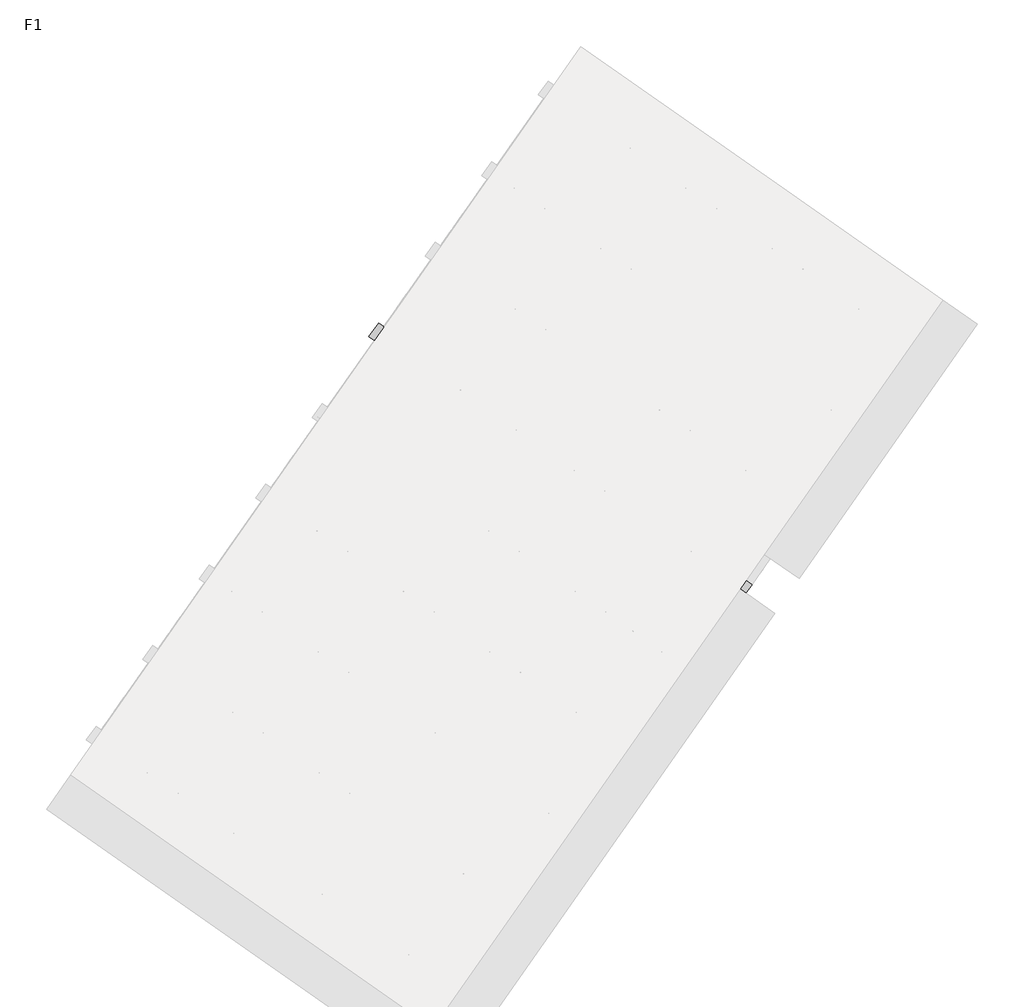
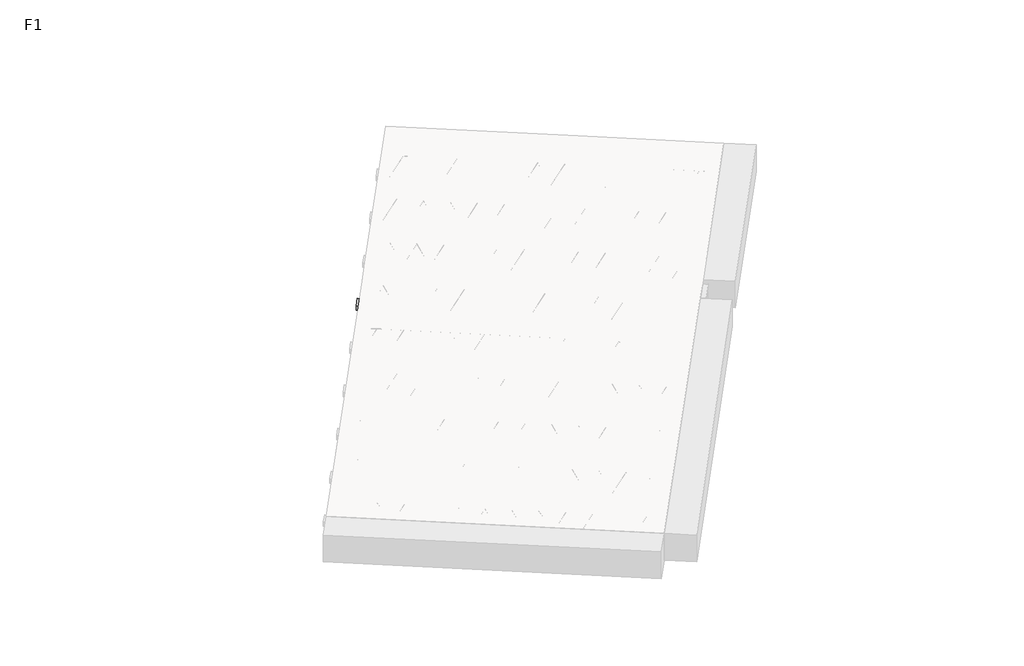
# One storey, part 10 of 30: 2 beams.
"""IFC4 building model written with IfcOpenShell, lengths in millimetres."""

from ifc_helpers import new_model, si_unit, point, frame, origin, origin_2d, place, context, project, spatial, polyline, circle_curve, trimmed, segment, composite_curve, outline, extrude, element, save

model = new_model("IFC4")

# Units and contexts
model_context = context("Model", 3, world=origin())
ifc_project = project(units=[si_unit("LENGTHUNIT", "METRE", prefix="MILLI")], contexts=[model_context])

# Site, building, storey
site = spatial("IfcSite", under=ifc_project)
building = spatial("IfcBuilding", under=site)
storey = spatial("IfcBuildingStorey", under=building, Name="F1", Elevation=99520.0)

# Beams
placement = place(None, origin())
element("IfcBeam", 1, at=placement, inside=storey, context=model_context, shape_type="SweptSolid", body=[
    extrude(outline(polyline([(6027.01866, -1546.3230443), (6095.8478323, -1448.024799), (8749.9004558, -3306.4124529), (8681.0712834, -3404.7106982), (6027.01866, -1546.3230443)])), frame((0.0, 0.0, 99720.0), z_axis=(0.0, 0.0, 1.0), x_axis=(1.0, 0.0, 0.0)), (0.0, 0.0, 1.0), 50.0),
    extrude(outline(composite_curve([segment(trimmed(circle_curve(origin_2d(), 2.5), [point((-2.5, 0.0))], [point((2.5, 0.0))], False, "CARTESIAN"), True, "CONTINUOUS"), segment(trimmed(circle_curve(origin_2d(), 2.5), [point((2.5, 0.0))], [point((-2.5, 0.0))], False, "CARTESIAN"), True, "CONTINUOUS")], self_intersect=False)), frame((8675.1774688, -3371.2852147, 99745.0), z_axis=(-0.8191520442696126, 0.5735764363787226, 0.0), x_axis=(0.5735764363787226, 0.8191520442696126, 0.0)), (0.0, 0.0, 1.0), 3192.0),
    extrude(outline(composite_curve([segment(trimmed(circle_curve(origin_2d(), 2.5), [point((-2.5, 0.0))], [point((2.5000001, 0.0))], False, "CARTESIAN"), True, "CONTINUOUS"), segment(trimmed(circle_curve(origin_2d(), 2.5), [point((2.5000001, 0.0))], [point((-2.5, 0.0))], False, "CARTESIAN"), True, "CONTINUOUS")], self_intersect=False)), frame((8555.751221, -3243.7141705, 99970.0), z_axis=(-0.8191520442696126, 0.5735764363787226, 0.0), x_axis=(0.5735764363787226, 0.8191520442696126, 0.0)), (0.0, 0.0, 1.0), 2850.0),
    extrude(outline(composite_curve([segment(trimmed(circle_curve(origin_2d(), 2.5), [point((-2.5, 0.0))], [point((2.5, 0.0))], False, "CARTESIAN"), True, "CONTINUOUS"), segment(trimmed(circle_curve(origin_2d(), 2.5), [point((2.5, 0.0))], [point((-2.5, 0.0))], False, "CARTESIAN"), True, "CONTINUOUS")], self_intersect=False)), frame((8596.5388726, -3316.2218768, 99745.0), z_axis=(-0.3145304735701046, 0.38933448886848654, 0.8657304643902053), x_axis=(0.7778747638402499, 0.6284193279813057, 0.0)), (0.0, 0.0, 1.0), 259.8961331),
    extrude(outline(composite_curve([segment(trimmed(circle_curve(origin_2d(), 2.5), [point((2.5, 0.0))], [point((-2.5, 0.0))], False, "CARTESIAN"), True, "CONTINUOUS"), segment(trimmed(circle_curve(origin_2d(), 2.5), [point((-2.5, 0.0))], [point((2.5, 0.0))], False, "CARTESIAN"), True, "CONTINUOUS")], self_intersect=False)), frame((8391.7508615, -3172.8277677, 99745.0), z_axis=(0.47343050384693375, -0.16240172737369005, 0.8657304643902051), x_axis=(-0.3244721671091268, -0.9458952440791246, 0.0)), (0.0, 0.0, 1.0), 259.8961331),
    extrude(outline(composite_curve([segment(trimmed(circle_curve(origin_2d(), 2.5), [point((-2.5, 0.0))], [point((2.5, 0.0))], False, "CARTESIAN"), True, "CONTINUOUS"), segment(trimmed(circle_curve(origin_2d(), 2.5), [point((2.5, 0.0))], [point((-2.5, 0.0))], False, "CARTESIAN"), True, "CONTINUOUS")], self_intersect=False)), frame((8391.7508615, -3172.8277677, 99745.0), z_axis=(-0.3145304735701046, 0.38933448886848654, 0.8657304643902053), x_axis=(0.7778747638402499, 0.6284193279813057, 0.0)), (0.0, 0.0, 1.0), 259.8961331),
    extrude(outline(composite_curve([segment(trimmed(circle_curve(origin_2d(), 2.5), [point((2.5, 0.0))], [point((-2.5, 1e-07))], False, "CARTESIAN"), True, "CONTINUOUS"), segment(trimmed(circle_curve(origin_2d(), 2.5), [point((-2.5, 1e-07))], [point((2.5, 0.0))], False, "CARTESIAN"), True, "CONTINUOUS")], self_intersect=False)), frame((8186.9628504, -3029.4336586, 99745.0), z_axis=(0.47343050384693375, -0.16240172737369005, 0.8657304643902051), x_axis=(-0.3244721671091268, -0.9458952440791246, 0.0)), (0.0, 0.0, 1.0), 259.8961331),
    extrude(outline(composite_curve([segment(trimmed(circle_curve(origin_2d(), 2.5), [point((-2.5, 0.0))], [point((2.5, 0.0))], False, "CARTESIAN"), True, "CONTINUOUS"), segment(trimmed(circle_curve(origin_2d(), 2.5), [point((2.5, 0.0))], [point((-2.5, 0.0))], False, "CARTESIAN"), True, "CONTINUOUS")], self_intersect=False)), frame((8186.9628504, -3029.4336586, 99745.0), z_axis=(-0.3145304735701046, 0.38933448886848654, 0.8657304643902053), x_axis=(0.7778747638402499, 0.6284193279813057, 0.0)), (0.0, 0.0, 1.0), 259.8961331),
    extrude(outline(composite_curve([segment(trimmed(circle_curve(origin_2d(), 2.5), [point((2.5, 0.0))], [point((-2.5, 0.0))], False, "CARTESIAN"), True, "CONTINUOUS"), segment(trimmed(circle_curve(origin_2d(), 2.5), [point((-2.5, 0.0))], [point((2.5, 0.0))], False, "CARTESIAN"), True, "CONTINUOUS")], self_intersect=False)), frame((7982.1748394, -2886.0395495, 99745.0), z_axis=(0.47343050384693375, -0.16240172737369005, 0.8657304643902051), x_axis=(-0.3244721671091268, -0.9458952440791246, 0.0)), (0.0, 0.0, 1.0), 259.8961331),
    extrude(outline(composite_curve([segment(trimmed(circle_curve(origin_2d(), 2.5), [point((-2.5, 0.0))], [point((2.5, 0.0))], False, "CARTESIAN"), True, "CONTINUOUS"), segment(trimmed(circle_curve(origin_2d(), 2.5), [point((2.5, 0.0))], [point((-2.5, 0.0))], False, "CARTESIAN"), True, "CONTINUOUS")], self_intersect=False)), frame((7982.1748394, -2886.0395495, 99745.0), z_axis=(-0.3145304735701046, 0.38933448886848654, 0.8657304643902053), x_axis=(0.7778747638402499, 0.6284193279813057, 0.0)), (0.0, 0.0, 1.0), 259.8961331),
    extrude(outline(composite_curve([segment(trimmed(circle_curve(origin_2d(), 2.5), [point((2.5, 0.0))], [point((-2.5, 0.0))], False, "CARTESIAN"), True, "CONTINUOUS"), segment(trimmed(circle_curve(origin_2d(), 2.5), [point((-2.5, 0.0))], [point((2.5, 0.0))], False, "CARTESIAN"), True, "CONTINUOUS")], self_intersect=False)), frame((7777.3868283, -2742.6454404, 99745.0), z_axis=(0.47343050384693375, -0.16240172737369005, 0.8657304643902051), x_axis=(-0.3244721671091268, -0.9458952440791246, 0.0)), (0.0, 0.0, 1.0), 259.8961331),
    extrude(outline(composite_curve([segment(trimmed(circle_curve(origin_2d(), 2.5), [point((-2.5, 0.0))], [point((2.5, 0.0))], False, "CARTESIAN"), True, "CONTINUOUS"), segment(trimmed(circle_curve(origin_2d(), 2.5), [point((2.5, 0.0))], [point((-2.5, 0.0))], False, "CARTESIAN"), True, "CONTINUOUS")], self_intersect=False)), frame((7777.3868283, -2742.6454404, 99745.0), z_axis=(-0.3145304735701046, 0.38933448886848654, 0.8657304643902053), x_axis=(0.7778747638402499, 0.6284193279813057, 0.0)), (0.0, 0.0, 1.0), 259.8961331),
    extrude(outline(composite_curve([segment(trimmed(circle_curve(origin_2d(), 2.5), [point((2.5, 0.0))], [point((-2.5, 1e-07))], False, "CARTESIAN"), True, "CONTINUOUS"), segment(trimmed(circle_curve(origin_2d(), 2.5), [point((-2.5, 1e-07))], [point((2.5, 0.0))], False, "CARTESIAN"), True, "CONTINUOUS")], self_intersect=False)), frame((7572.5988172, -2599.2513313, 99745.0), z_axis=(0.47343050384693375, -0.16240172737369005, 0.8657304643902051), x_axis=(-0.3244721671091268, -0.9458952440791246, 0.0)), (0.0, 0.0, 1.0), 259.8961331),
    extrude(outline(composite_curve([segment(trimmed(circle_curve(origin_2d(), 2.5), [point((-2.5, 0.0))], [point((2.5, 0.0))], False, "CARTESIAN"), True, "CONTINUOUS"), segment(trimmed(circle_curve(origin_2d(), 2.5), [point((2.5, 0.0))], [point((-2.5, 0.0))], False, "CARTESIAN"), True, "CONTINUOUS")], self_intersect=False)), frame((7572.5988172, -2599.2513313, 99745.0), z_axis=(-0.3145304735701046, 0.38933448886848654, 0.8657304643902053), x_axis=(0.7778747638402499, 0.6284193279813057, 0.0)), (0.0, 0.0, 1.0), 259.8961331),
    extrude(outline(composite_curve([segment(trimmed(circle_curve(origin_2d(), 2.5), [point((2.5, 0.0))], [point((-2.5, 0.0))], False, "CARTESIAN"), True, "CONTINUOUS"), segment(trimmed(circle_curve(origin_2d(), 2.5), [point((-2.5, 0.0))], [point((2.5, 0.0))], False, "CARTESIAN"), True, "CONTINUOUS")], self_intersect=False)), frame((7367.8108062, -2455.8572222, 99745.0), z_axis=(0.47343050384693375, -0.16240172737369005, 0.8657304643902051), x_axis=(-0.3244721671091268, -0.9458952440791246, 0.0)), (0.0, 0.0, 1.0), 259.8961331),
    extrude(outline(composite_curve([segment(trimmed(circle_curve(origin_2d(), 2.5), [point((-2.5, 0.0))], [point((2.5, 0.0))], False, "CARTESIAN"), True, "CONTINUOUS"), segment(trimmed(circle_curve(origin_2d(), 2.5), [point((2.5, 0.0))], [point((-2.5, 0.0))], False, "CARTESIAN"), True, "CONTINUOUS")], self_intersect=False)), frame((7367.8108062, -2455.8572222, 99745.0), z_axis=(-0.3145304735701046, 0.38933448886848654, 0.8657304643902053), x_axis=(0.7778747638402499, 0.6284193279813057, 0.0)), (0.0, 0.0, 1.0), 259.8961331),
    extrude(outline(composite_curve([segment(trimmed(circle_curve(origin_2d(), 2.5), [point((2.5, 0.0))], [point((-2.5, 0.0))], False, "CARTESIAN"), True, "CONTINUOUS"), segment(trimmed(circle_curve(origin_2d(), 2.5), [point((-2.5, 0.0))], [point((2.5, 0.0))], False, "CARTESIAN"), True, "CONTINUOUS")], self_intersect=False)), frame((7163.0227951, -2312.4631131, 99745.0), z_axis=(0.47343050384693375, -0.16240172737369005, 0.8657304643902051), x_axis=(-0.3244721671091268, -0.9458952440791246, 0.0)), (0.0, 0.0, 1.0), 259.8961331),
    extrude(outline(composite_curve([segment(trimmed(circle_curve(origin_2d(), 2.5), [point((-2.5, 0.0))], [point((2.5, 0.0))], False, "CARTESIAN"), True, "CONTINUOUS"), segment(trimmed(circle_curve(origin_2d(), 2.5), [point((2.5, 0.0))], [point((-2.5, 0.0))], False, "CARTESIAN"), True, "CONTINUOUS")], self_intersect=False)), frame((7163.0227951, -2312.4631131, 99745.0), z_axis=(-0.3145304735701046, 0.38933448886848654, 0.8657304643902053), x_axis=(0.7778747638402499, 0.6284193279813057, 0.0)), (0.0, 0.0, 1.0), 259.8961331),
    extrude(outline(composite_curve([segment(trimmed(circle_curve(origin_2d(), 2.5), [point((2.5, 0.0))], [point((-2.5, 1e-07))], False, "CARTESIAN"), True, "CONTINUOUS"), segment(trimmed(circle_curve(origin_2d(), 2.5), [point((-2.5, 1e-07))], [point((2.5, 0.0))], False, "CARTESIAN"), True, "CONTINUOUS")], self_intersect=False)), frame((6958.234784, -2169.069004, 99745.0), z_axis=(0.47343050384693375, -0.16240172737369005, 0.8657304643902051), x_axis=(-0.3244721671091268, -0.9458952440791246, 0.0)), (0.0, 0.0, 1.0), 259.8961331),
    extrude(outline(composite_curve([segment(trimmed(circle_curve(origin_2d(), 2.5), [point((-2.5, 0.0))], [point((2.5, 0.0))], False, "CARTESIAN"), True, "CONTINUOUS"), segment(trimmed(circle_curve(origin_2d(), 2.5), [point((2.5, 0.0))], [point((-2.5, 0.0))], False, "CARTESIAN"), True, "CONTINUOUS")], self_intersect=False)), frame((6958.234784, -2169.069004, 99745.0), z_axis=(-0.3145304735701046, 0.38933448886848654, 0.8657304643902053), x_axis=(0.7778747638402499, 0.6284193279813057, 0.0)), (0.0, 0.0, 1.0), 259.8961331),
    extrude(outline(composite_curve([segment(trimmed(circle_curve(origin_2d(), 2.5), [point((2.5, -1e-07))], [point((-2.5, 0.0))], False, "CARTESIAN"), True, "CONTINUOUS"), segment(trimmed(circle_curve(origin_2d(), 2.5), [point((-2.5, 0.0))], [point((2.5, -1e-07))], False, "CARTESIAN"), True, "CONTINUOUS")], self_intersect=False)), frame((6753.446773, -2025.6748949, 99745.0), z_axis=(0.47343050384693375, -0.16240172737369005, 0.8657304643902051), x_axis=(-0.3244721671091268, -0.9458952440791246, 0.0)), (0.0, 0.0, 1.0), 259.8961331),
    extrude(outline(composite_curve([segment(trimmed(circle_curve(origin_2d(), 2.5), [point((-2.5, -1e-07))], [point((2.5, 0.0))], False, "CARTESIAN"), True, "CONTINUOUS"), segment(trimmed(circle_curve(origin_2d(), 2.5), [point((2.5, 0.0))], [point((-2.5, -1e-07))], False, "CARTESIAN"), True, "CONTINUOUS")], self_intersect=False)), frame((6753.446773, -2025.6748949, 99745.0), z_axis=(-0.3145304735701046, 0.38933448886848654, 0.8657304643902053), x_axis=(0.7778747638402499, 0.6284193279813057, 0.0)), (0.0, 0.0, 1.0), 259.8961331),
    extrude(outline(composite_curve([segment(trimmed(circle_curve(origin_2d(), 2.5), [point((2.5, 0.0))], [point((-2.5, 0.0))], False, "CARTESIAN"), True, "CONTINUOUS"), segment(trimmed(circle_curve(origin_2d(), 2.5), [point((-2.5, 0.0))], [point((2.5, 0.0))], False, "CARTESIAN"), True, "CONTINUOUS")], self_intersect=False)), frame((6548.6587619, -1882.2807858, 99745.0), z_axis=(0.47343050384693375, -0.16240172737369005, 0.8657304643902051), x_axis=(-0.3244721671091268, -0.9458952440791246, 0.0)), (0.0, 0.0, 1.0), 259.8961331),
    extrude(outline(composite_curve([segment(trimmed(circle_curve(origin_2d(), 2.5), [point((-2.5, -1e-07))], [point((2.5, 0.0))], False, "CARTESIAN"), True, "CONTINUOUS"), segment(trimmed(circle_curve(origin_2d(), 2.5), [point((2.5, 0.0))], [point((-2.5, -1e-07))], False, "CARTESIAN"), True, "CONTINUOUS")], self_intersect=False)), frame((6548.6587619, -1882.2807858, 99745.0), z_axis=(-0.3145304735701046, 0.38933448886848654, 0.8657304643902053), x_axis=(0.7778747638402499, 0.6284193279813057, 0.0)), (0.0, 0.0, 1.0), 259.8961331),
    extrude(outline(composite_curve([segment(trimmed(circle_curve(origin_2d(), 2.5), [point((2.5000001, 0.0))], [point((-2.5, 0.0))], False, "CARTESIAN"), True, "CONTINUOUS"), segment(trimmed(circle_curve(origin_2d(), 2.5), [point((-2.5, 0.0))], [point((2.5000001, 0.0))], False, "CARTESIAN"), True, "CONTINUOUS")], self_intersect=False)), frame((6343.8707508, -1738.8866767, 99745.0), z_axis=(0.47343050384693375, -0.16240172737369005, 0.8657304643902051), x_axis=(-0.3244721671091268, -0.9458952440791246, 0.0)), (0.0, 0.0, 1.0), 259.8961331),
    extrude(outline(composite_curve([segment(trimmed(circle_curve(origin_2d(), 2.5), [point((-2.5, -1e-07))], [point((2.5, 0.0))], False, "CARTESIAN"), True, "CONTINUOUS"), segment(trimmed(circle_curve(origin_2d(), 2.5), [point((2.5, 0.0))], [point((-2.5, -1e-07))], False, "CARTESIAN"), True, "CONTINUOUS")], self_intersect=False)), frame((6343.8707508, -1738.8866767, 99745.0), z_axis=(-0.3145304735701046, 0.38933448886848654, 0.8657304643902053), x_axis=(0.7778747638402499, 0.6284193279813057, 0.0)), (0.0, 0.0, 1.0), 259.8961331),
    extrude(outline(composite_curve([segment(trimmed(circle_curve(origin_2d(), 2.5), [point((2.5000001, 0.0))], [point((-2.5, 0.0))], False, "CARTESIAN"), True, "CONTINUOUS"), segment(trimmed(circle_curve(origin_2d(), 2.5), [point((-2.5, 0.0))], [point((2.5000001, 0.0))], False, "CARTESIAN"), True, "CONTINUOUS")], self_intersect=False)), frame((6139.0827398, -1595.4925676, 99745.0), z_axis=(0.47343050384693375, -0.16240172737369005, 0.8657304643902051), x_axis=(-0.3244721671091268, -0.9458952440791246, 0.0)), (0.0, 0.0, 1.0), 259.8961331),
    extrude(outline(composite_curve([segment(trimmed(circle_curve(origin_2d(), 2.5), [point((-2.5, 0.0))], [point((2.5, 0.0))], False, "CARTESIAN"), True, "CONTINUOUS"), segment(trimmed(circle_curve(origin_2d(), 2.5), [point((2.5, 0.0))], [point((-2.5, 0.0))], False, "CARTESIAN"), True, "CONTINUOUS")], self_intersect=False)), frame((8716.4749722, -3312.3062675, 99745.0), z_axis=(-0.8191520442696126, 0.5735764363787226, 0.0), x_axis=(0.5735764363787226, 0.8191520442696126, 0.0)), (0.0, 0.0, 1.0), 3192.0),
    extrude(outline(composite_curve([segment(trimmed(circle_curve(origin_2d(), 2.5), [point((-2.5, 0.0))], [point((2.5, 0.0))], False, "CARTESIAN"), True, "CONTINUOUS"), segment(trimmed(circle_curve(origin_2d(), 2.5), [point((2.5, 0.0))], [point((-2.5, 0.0))], False, "CARTESIAN"), True, "CONTINUOUS")], self_intersect=False)), frame((8637.836376, -3257.2429296, 99745.0), z_axis=(-0.47343050384693375, 0.16240172737369005, 0.8657304643902051), x_axis=(0.3244721671091268, 0.9458952440791246, 0.0)), (0.0, 0.0, 1.0), 259.8961331),
    extrude(outline(composite_curve([segment(trimmed(circle_curve(origin_2d(), 2.5), [point((2.5, 0.0))], [point((-2.5, 0.0))], False, "CARTESIAN"), True, "CONTINUOUS"), segment(trimmed(circle_curve(origin_2d(), 2.5), [point((-2.5, 0.0))], [point((2.5, 0.0))], False, "CARTESIAN"), True, "CONTINUOUS")], self_intersect=False)), frame((8433.0483649, -3113.8488205, 99745.0), z_axis=(0.3145304735701046, -0.38933448886848654, 0.8657304643902053), x_axis=(-0.7778747638402499, -0.6284193279813057, 0.0)), (0.0, 0.0, 1.0), 259.8961331),
    extrude(outline(composite_curve([segment(trimmed(circle_curve(origin_2d(), 2.5), [point((-2.5, 0.0))], [point((2.5, 0.0))], False, "CARTESIAN"), True, "CONTINUOUS"), segment(trimmed(circle_curve(origin_2d(), 2.5), [point((2.5, 0.0))], [point((-2.5, 0.0))], False, "CARTESIAN"), True, "CONTINUOUS")], self_intersect=False)), frame((8433.0483649, -3113.8488205, 99745.0), z_axis=(-0.47343050384693375, 0.16240172737369005, 0.8657304643902051), x_axis=(0.3244721671091268, 0.9458952440791246, 0.0)), (0.0, 0.0, 1.0), 259.8961331),
    extrude(outline(composite_curve([segment(trimmed(circle_curve(origin_2d(), 2.5), [point((2.5000001, -1e-07))], [point((-2.5, 0.0))], False, "CARTESIAN"), True, "CONTINUOUS"), segment(trimmed(circle_curve(origin_2d(), 2.5), [point((-2.5, 0.0))], [point((2.5000001, -1e-07))], False, "CARTESIAN"), True, "CONTINUOUS")], self_intersect=False)), frame((8228.2603539, -2970.4547114, 99745.0), z_axis=(0.3145304735701046, -0.38933448886848654, 0.8657304643902053), x_axis=(-0.7778747638402499, -0.6284193279813057, 0.0)), (0.0, 0.0, 1.0), 259.8961331),
    extrude(outline(composite_curve([segment(trimmed(circle_curve(origin_2d(), 2.5), [point((-2.5, 1e-07))], [point((2.5, 0.0))], False, "CARTESIAN"), True, "CONTINUOUS"), segment(trimmed(circle_curve(origin_2d(), 2.5), [point((2.5, 0.0))], [point((-2.5, 1e-07))], False, "CARTESIAN"), True, "CONTINUOUS")], self_intersect=False)), frame((8228.2603539, -2970.4547114, 99745.0), z_axis=(-0.47343050384693375, 0.16240172737369005, 0.8657304643902051), x_axis=(0.3244721671091268, 0.9458952440791246, 0.0)), (0.0, 0.0, 1.0), 259.8961331),
    extrude(outline(composite_curve([segment(trimmed(circle_curve(origin_2d(), 2.5), [point((2.5, 0.0))], [point((-2.5, 0.0))], False, "CARTESIAN"), True, "CONTINUOUS"), segment(trimmed(circle_curve(origin_2d(), 2.5), [point((-2.5, 0.0))], [point((2.5, 0.0))], False, "CARTESIAN"), True, "CONTINUOUS")], self_intersect=False)), frame((8023.4723428, -2827.0606023, 99745.0), z_axis=(0.3145304735701046, -0.38933448886848654, 0.8657304643902053), x_axis=(-0.7778747638402499, -0.6284193279813057, 0.0)), (0.0, 0.0, 1.0), 259.8961331),
    extrude(outline(composite_curve([segment(trimmed(circle_curve(origin_2d(), 2.5), [point((-2.5, 0.0))], [point((2.5, 0.0))], False, "CARTESIAN"), True, "CONTINUOUS"), segment(trimmed(circle_curve(origin_2d(), 2.5), [point((2.5, 0.0))], [point((-2.5, 0.0))], False, "CARTESIAN"), True, "CONTINUOUS")], self_intersect=False)), frame((8023.4723428, -2827.0606023, 99745.0), z_axis=(-0.47343050384693375, 0.16240172737369005, 0.8657304643902051), x_axis=(0.3244721671091268, 0.9458952440791246, 0.0)), (0.0, 0.0, 1.0), 259.8961331),
    extrude(outline(composite_curve([segment(trimmed(circle_curve(origin_2d(), 2.5), [point((2.5, 0.0))], [point((-2.5, 0.0))], False, "CARTESIAN"), True, "CONTINUOUS"), segment(trimmed(circle_curve(origin_2d(), 2.5), [point((-2.5, 0.0))], [point((2.5, 0.0))], False, "CARTESIAN"), True, "CONTINUOUS")], self_intersect=False)), frame((7818.6843317, -2683.6664932, 99745.0), z_axis=(0.3145304735701046, -0.38933448886848654, 0.8657304643902053), x_axis=(-0.7778747638402499, -0.6284193279813057, 0.0)), (0.0, 0.0, 1.0), 259.8961331),
    extrude(outline(composite_curve([segment(trimmed(circle_curve(origin_2d(), 2.5), [point((-2.5, 0.0))], [point((2.5, 0.0))], False, "CARTESIAN"), True, "CONTINUOUS"), segment(trimmed(circle_curve(origin_2d(), 2.5), [point((2.5, 0.0))], [point((-2.5, 0.0))], False, "CARTESIAN"), True, "CONTINUOUS")], self_intersect=False)), frame((7818.6843317, -2683.6664932, 99745.0), z_axis=(-0.47343050384693375, 0.16240172737369005, 0.8657304643902051), x_axis=(0.3244721671091268, 0.9458952440791246, 0.0)), (0.0, 0.0, 1.0), 259.8961331),
    extrude(outline(composite_curve([segment(trimmed(circle_curve(origin_2d(), 2.5), [point((2.5000001, -1e-07))], [point((-2.5, 0.0))], False, "CARTESIAN"), True, "CONTINUOUS"), segment(trimmed(circle_curve(origin_2d(), 2.5), [point((-2.5, 0.0))], [point((2.5000001, -1e-07))], False, "CARTESIAN"), True, "CONTINUOUS")], self_intersect=False)), frame((7613.8963207, -2540.2723841, 99745.0), z_axis=(0.3145304735701046, -0.38933448886848654, 0.8657304643902053), x_axis=(-0.7778747638402499, -0.6284193279813057, 0.0)), (0.0, 0.0, 1.0), 259.8961331),
    extrude(outline(composite_curve([segment(trimmed(circle_curve(origin_2d(), 2.5), [point((-2.5, 1e-07))], [point((2.5, 0.0))], False, "CARTESIAN"), True, "CONTINUOUS"), segment(trimmed(circle_curve(origin_2d(), 2.5), [point((2.5, 0.0))], [point((-2.5, 1e-07))], False, "CARTESIAN"), True, "CONTINUOUS")], self_intersect=False)), frame((7613.8963207, -2540.2723841, 99745.0), z_axis=(-0.47343050384693375, 0.16240172737369005, 0.8657304643902051), x_axis=(0.3244721671091268, 0.9458952440791246, 0.0)), (0.0, 0.0, 1.0), 259.8961331),
    extrude(outline(composite_curve([segment(trimmed(circle_curve(origin_2d(), 2.5), [point((2.5, 0.0))], [point((-2.5, 0.0))], False, "CARTESIAN"), True, "CONTINUOUS"), segment(trimmed(circle_curve(origin_2d(), 2.5), [point((-2.5, 0.0))], [point((2.5, 0.0))], False, "CARTESIAN"), True, "CONTINUOUS")], self_intersect=False)), frame((7409.1083096, -2396.878275, 99745.0), z_axis=(0.3145304735701046, -0.38933448886848654, 0.8657304643902053), x_axis=(-0.7778747638402499, -0.6284193279813057, 0.0)), (0.0, 0.0, 1.0), 259.8961331),
    extrude(outline(composite_curve([segment(trimmed(circle_curve(origin_2d(), 2.5), [point((-2.5, 0.0))], [point((2.5, 0.0))], False, "CARTESIAN"), True, "CONTINUOUS"), segment(trimmed(circle_curve(origin_2d(), 2.5), [point((2.5, 0.0))], [point((-2.5, 0.0))], False, "CARTESIAN"), True, "CONTINUOUS")], self_intersect=False)), frame((7409.1083096, -2396.878275, 99745.0), z_axis=(-0.47343050384693375, 0.16240172737369005, 0.8657304643902051), x_axis=(0.3244721671091268, 0.9458952440791246, 0.0)), (0.0, 0.0, 1.0), 259.8961331),
    extrude(outline(composite_curve([segment(trimmed(circle_curve(origin_2d(), 2.5), [point((2.5, 1e-07))], [point((-2.5, 0.0))], False, "CARTESIAN"), True, "CONTINUOUS"), segment(trimmed(circle_curve(origin_2d(), 2.5), [point((-2.5, 0.0))], [point((2.5, 1e-07))], False, "CARTESIAN"), True, "CONTINUOUS")], self_intersect=False)), frame((7204.3202985, -2253.4841659, 99745.0), z_axis=(0.3145304735701046, -0.38933448886848654, 0.8657304643902053), x_axis=(-0.7778747638402499, -0.6284193279813057, 0.0)), (0.0, 0.0, 1.0), 259.8961331),
    extrude(outline(composite_curve([segment(trimmed(circle_curve(origin_2d(), 2.5), [point((-2.5, 0.0))], [point((2.5, 0.0))], False, "CARTESIAN"), True, "CONTINUOUS"), segment(trimmed(circle_curve(origin_2d(), 2.5), [point((2.5, 0.0))], [point((-2.5, 0.0))], False, "CARTESIAN"), True, "CONTINUOUS")], self_intersect=False)), frame((7204.3202985, -2253.4841659, 99745.0), z_axis=(-0.47343050384693375, 0.16240172737369005, 0.8657304643902051), x_axis=(0.3244721671091268, 0.9458952440791246, 0.0)), (0.0, 0.0, 1.0), 259.8961331),
    extrude(outline(composite_curve([segment(trimmed(circle_curve(origin_2d(), 2.5), [point((2.5000001, 0.0))], [point((-2.5, 0.0))], False, "CARTESIAN"), True, "CONTINUOUS"), segment(trimmed(circle_curve(origin_2d(), 2.5), [point((-2.5, 0.0))], [point((2.5000001, 0.0))], False, "CARTESIAN"), True, "CONTINUOUS")], self_intersect=False)), frame((6999.5322875, -2110.0900568, 99745.0), z_axis=(0.3145304735701046, -0.38933448886848654, 0.8657304643902053), x_axis=(-0.7778747638402499, -0.6284193279813057, 0.0)), (0.0, 0.0, 1.0), 259.8961331),
    extrude(outline(composite_curve([segment(trimmed(circle_curve(origin_2d(), 2.5), [point((-2.5, 1e-07))], [point((2.5, 0.0))], False, "CARTESIAN"), True, "CONTINUOUS"), segment(trimmed(circle_curve(origin_2d(), 2.5), [point((2.5, 0.0))], [point((-2.5, 1e-07))], False, "CARTESIAN"), True, "CONTINUOUS")], self_intersect=False)), frame((6999.5322875, -2110.0900568, 99745.0), z_axis=(-0.47343050384693375, 0.16240172737369005, 0.8657304643902051), x_axis=(0.3244721671091268, 0.9458952440791246, 0.0)), (0.0, 0.0, 1.0), 259.8961331),
    extrude(outline(composite_curve([segment(trimmed(circle_curve(origin_2d(), 2.5), [point((2.5, 1e-07))], [point((-2.5, 0.0))], False, "CARTESIAN"), True, "CONTINUOUS"), segment(trimmed(circle_curve(origin_2d(), 2.5), [point((-2.5, 0.0))], [point((2.5, 1e-07))], False, "CARTESIAN"), True, "CONTINUOUS")], self_intersect=False)), frame((6794.7442764, -1966.6959477, 99745.0), z_axis=(0.3145304735701046, -0.38933448886848654, 0.8657304643902053), x_axis=(-0.7778747638402499, -0.6284193279813057, 0.0)), (0.0, 0.0, 1.0), 259.8961331),
    extrude(outline(composite_curve([segment(trimmed(circle_curve(origin_2d(), 2.5), [point((-2.5000001, 0.0))], [point((2.5, 0.0))], False, "CARTESIAN"), True, "CONTINUOUS"), segment(trimmed(circle_curve(origin_2d(), 2.5), [point((2.5, 0.0))], [point((-2.5000001, 0.0))], False, "CARTESIAN"), True, "CONTINUOUS")], self_intersect=False)), frame((6794.7442764, -1966.6959477, 99745.0), z_axis=(-0.47343050384693375, 0.16240172737369005, 0.8657304643902051), x_axis=(0.3244721671091268, 0.9458952440791246, 0.0)), (0.0, 0.0, 1.0), 259.8961331),
    extrude(outline(composite_curve([segment(trimmed(circle_curve(origin_2d(), 2.5), [point((2.5, 1e-07))], [point((-2.5, 0.0))], False, "CARTESIAN"), True, "CONTINUOUS"), segment(trimmed(circle_curve(origin_2d(), 2.5), [point((-2.5, 0.0))], [point((2.5, 1e-07))], False, "CARTESIAN"), True, "CONTINUOUS")], self_intersect=False)), frame((6589.9562653, -1823.3018386, 99745.0), z_axis=(0.3145304735701046, -0.38933448886848654, 0.8657304643902053), x_axis=(-0.7778747638402499, -0.6284193279813057, 0.0)), (0.0, 0.0, 1.0), 259.8961331),
    extrude(outline(composite_curve([segment(trimmed(circle_curve(origin_2d(), 2.5), [point((-2.5000001, 0.0))], [point((2.5, 0.0))], False, "CARTESIAN"), True, "CONTINUOUS"), segment(trimmed(circle_curve(origin_2d(), 2.5), [point((2.5, 0.0))], [point((-2.5000001, 0.0))], False, "CARTESIAN"), True, "CONTINUOUS")], self_intersect=False)), frame((6589.9562653, -1823.3018386, 99745.0), z_axis=(-0.47343050384693375, 0.16240172737369005, 0.8657304643902051), x_axis=(0.3244721671091268, 0.9458952440791246, 0.0)), (0.0, 0.0, 1.0), 259.8961331),
    extrude(outline(composite_curve([segment(trimmed(circle_curve(origin_2d(), 2.5), [point((2.5000001, -1e-07))], [point((-2.5, -1e-07))], False, "CARTESIAN"), True, "CONTINUOUS"), segment(trimmed(circle_curve(origin_2d(), 2.5), [point((-2.5, -1e-07))], [point((2.5000001, -1e-07))], False, "CARTESIAN"), True, "CONTINUOUS")], self_intersect=False)), frame((6385.1682543, -1679.9077296, 99745.0), z_axis=(0.3145304735701046, -0.38933448886848654, 0.8657304643902053), x_axis=(-0.7778747638402499, -0.6284193279813057, 0.0)), (0.0, 0.0, 1.0), 259.8961331),
    extrude(outline(composite_curve([segment(trimmed(circle_curve(origin_2d(), 2.5), [point((-2.5, 0.0))], [point((2.5000001, 0.0))], False, "CARTESIAN"), True, "CONTINUOUS"), segment(trimmed(circle_curve(origin_2d(), 2.5), [point((2.5000001, 0.0))], [point((-2.5, 0.0))], False, "CARTESIAN"), True, "CONTINUOUS")], self_intersect=False)), frame((6385.1682542, -1679.9077296, 99745.0), z_axis=(-0.47343050384693375, 0.16240172737369005, 0.8657304643902051), x_axis=(0.3244721671091268, 0.9458952440791246, 0.0)), (0.0, 0.0, 1.0), 259.8961331),
    extrude(outline(composite_curve([segment(trimmed(circle_curve(origin_2d(), 2.5), [point((2.5, 0.0))], [point((-2.5, -1e-07))], False, "CARTESIAN"), True, "CONTINUOUS"), segment(trimmed(circle_curve(origin_2d(), 2.5), [point((-2.5, -1e-07))], [point((2.5, 0.0))], False, "CARTESIAN"), True, "CONTINUOUS")], self_intersect=False)), frame((6180.3802432, -1536.5136205, 99745.0), z_axis=(0.3145304735701046, -0.38933448886848654, 0.8657304643902053), x_axis=(-0.7778747638402499, -0.6284193279813057, 0.0)), (0.0, 0.0, 1.0), 259.8961331),
])
element("IfcBeam", 2, at=placement, inside=storey, context=model_context, shape_type="SweptSolid", body=[
    extrude(outline(polyline([(6428.5221654, -972.9166134), (6497.3513378, -874.618368), (9151.4039612, -2733.0060219), (9082.5747889, -2831.3042672), (6428.5221654, -972.9166134)])), frame((0.0, 0.0, 99720.0), z_axis=(0.0, 0.0, 1.0), x_axis=(1.0, 0.0, 0.0)), (0.0, 0.0, 1.0), 50.0),
])

save(model, "model.ifc")
